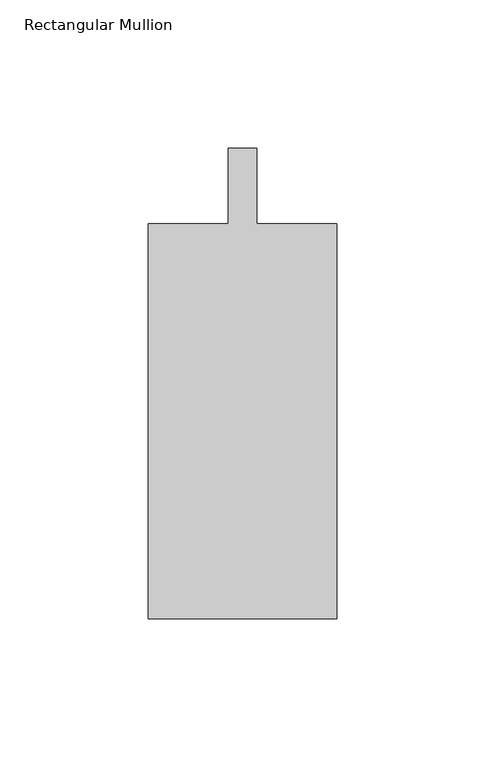
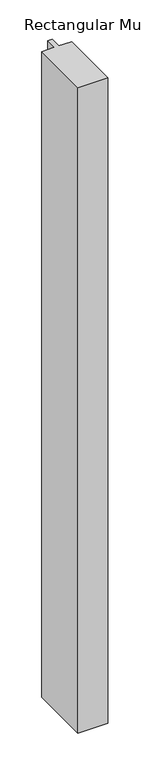
"""IFC4 building model written with IfcOpenShell, lengths in millimetres: member geometry, Rectangular Mullion."""

import ifcopenshell
import ifcopenshell.guid

model = None  # the IFC model being written
_history = None  # IfcOwnerHistory: only IFC2X3 demands one
_inside = {}  # id of a spatial element -> (the spatial element, [elements in it])
_under = {}  # id of a project, library or spatial element -> (it, [spatial elements below it])
_declared = {}  # id of a project -> (the project, [libraries it declares])
_typed = {}  # id of a type object -> (the type object, [elements of that type])
_made_of = {}  # id of a material, layer set ... -> (it, [elements and type objects made of it])


def new_model(schema):
    """Start an empty IFC model of exactly this schema.

    Asked for "IFC4X3", IfcOpenShell would pick the latest addendum, in which some entities
    have other attributes; the version numbers below select the first issue.
    IFC2X3 requires an IfcOwnerHistory on every rooted entity: one is made here for all.
    """
    global model, _history
    if schema == "IFC4X3":
        model = ifcopenshell.file(schema_version=(4, 3, 0, 0))
    else:
        model = ifcopenshell.file(schema=schema)
    _inside.clear()
    _under.clear()
    _declared.clear()
    _typed.clear()
    _made_of.clear()
    _history = None
    if model.schema == "IFC2X3":
        org = make("IfcOrganization", Name="unknown")
        user = make(
            "IfcPersonAndOrganization",
            ThePerson=make("IfcPerson", FamilyName="unknown"),
            TheOrganization=org,
        )
        app = make(
            "IfcApplication",
            ApplicationDeveloper=org,
            Version="unknown",
            ApplicationFullName="unknown",
            ApplicationIdentifier="unknown",
        )
        _history = make(
            "IfcOwnerHistory",
            OwningUser=user,
            OwningApplication=app,
            ChangeAction="ADDED",
            CreationDate=0,
        )
    return model


def make(cls, **values):
    """One entity of the class cls with the attributes given. An attribute that is None is left unset."""
    return model.create_entity(
        cls, **{name: value for name, value in values.items() if value is not None}
    )


def rooted(cls, **values):
    """An entity with a GlobalId (a new one), such as an element, a storey or a relation."""
    return make(cls, GlobalId=ifcopenshell.guid.new(), OwnerHistory=_history, **values)


def si_unit(unit_type, name, prefix=None):
    """IfcSIUnit, for example si_unit("LENGTHUNIT", "METRE", prefix="MILLI")."""
    return make("IfcSIUnit", UnitType=unit_type, Prefix=prefix, Name=name)


def assignment(units):
    """IfcUnitAssignment: the units of a project."""
    return None if units is None else make("IfcUnitAssignment", Units=units)


def point(xyz):
    """IfcCartesianPoint."""
    return None if xyz is None else make("IfcCartesianPoint", Coordinates=xyz)


def direction(xyz):
    """IfcDirection."""
    return None if xyz is None else make("IfcDirection", DirectionRatios=xyz)


def frame(location, z_axis=None, x_axis=None):
    """IfcAxis2Placement3D, a coordinate frame: its origin and axes. An axis left out is left unset."""
    return make(
        "IfcAxis2Placement3D",
        Location=point(location),
        Axis=direction(z_axis),
        RefDirection=direction(x_axis),
    )


def origin():
    """The frame at (0, 0, 0) with its axes left unset."""
    return frame((0.0, 0.0, 0.0))


def place(relative_to, where):
    """IfcLocalPlacement: puts the frame where relative to a parent placement (None: the world)."""
    return make(
        "IfcLocalPlacement", PlacementRelTo=relative_to, RelativePlacement=where
    )


def context(
    kind, dimensions, precision=None, world=None, true_north=None, identifier=None
):
    """IfcGeometricRepresentationContext, for example the 3D "Model" context."""
    return make(
        "IfcGeometricRepresentationContext",
        ContextIdentifier=identifier,
        ContextType=kind,
        CoordinateSpaceDimension=dimensions,
        Precision=precision,
        WorldCoordinateSystem=world,
        TrueNorth=true_north,
    )


def project(units=None, contexts=None):
    """IfcProject with its units and contexts."""
    return rooted(
        "IfcProject",
        Name="project",
        RepresentationContexts=contexts,
        UnitsInContext=assignment(units),
    )


def spatial(cls, under=None, at=None, **own):
    """A site, building, storey or space (cls), placed at a placement, below another one or the project."""
    s = rooted(cls, ObjectPlacement=at, **own)
    if under is not None:
        _under.setdefault(under.id(), (under, []))[1].append(s)
    return s


def polyline(points):
    """IfcPolyline through the points."""
    return make("IfcPolyline", Points=[point(p) for p in points])


def outline(outer, holes=None, kind="AREA"):
    """IfcArbitraryClosedProfileDef: a profile drawn as a closed curve; with holes, ...WithVoids."""
    if holes is None:
        return make("IfcArbitraryClosedProfileDef", ProfileType=kind, OuterCurve=outer)
    return make(
        "IfcArbitraryProfileDefWithVoids",
        ProfileType=kind,
        OuterCurve=outer,
        InnerCurves=holes,
    )


def extrude(swept, where, along, depth):
    """IfcExtrudedAreaSolid: the profile swept, set in the frame where, extruded along a direction by depth."""
    return make(
        "IfcExtrudedAreaSolid",
        SweptArea=swept,
        Position=where,
        ExtrudedDirection=direction(along),
        Depth=depth,
    )


def shape(context_of_items, identifier, shape_type, items):
    """IfcShapeRepresentation: the items that make up one representation, for example the "Body"."""
    return make(
        "IfcShapeRepresentation",
        ContextOfItems=context_of_items,
        RepresentationIdentifier=identifier,
        RepresentationType=shape_type,
        Items=items,
    )


def source(mapping_origin, context_of_items, identifier, shape_type, items):
    """IfcRepresentationMap: a shape defined once, which mapped items show again and again."""
    return make(
        "IfcRepresentationMap",
        MappingOrigin=mapping_origin,
        MappedRepresentation=shape(context_of_items, identifier, shape_type, items),
    )


def transform(
    local_origin,
    x_axis=None,
    y_axis=None,
    z_axis=None,
    scale=None,
    scale2=None,
    scale3=None,
    uniform=True,
):
    """IfcCartesianTransformationOperator3D, or its non-uniform kind. x_axis, y_axis, z_axis: its Axis1, 2, 3."""
    if uniform:
        return make(
            "IfcCartesianTransformationOperator3D",
            Axis1=direction(x_axis),
            Axis2=direction(y_axis),
            LocalOrigin=point(local_origin),
            Scale=scale,
            Axis3=direction(z_axis),
        )
    return make(
        "IfcCartesianTransformationOperator3DnonUniform",
        Axis1=direction(x_axis),
        Axis2=direction(y_axis),
        LocalOrigin=point(local_origin),
        Scale=scale,
        Axis3=direction(z_axis),
        Scale2=scale2,
        Scale3=scale3,
    )


def mapped(mapping_source, mapping_target):
    """IfcMappedItem: shows the shape of a source again, moved by a transform."""
    return make(
        "IfcMappedItem", MappingSource=mapping_source, MappingTarget=mapping_target
    )


def made_of(thing, what):
    """Note that an element or type object is made of a material, layer set ...; save() writes the relation."""
    if what is not None:
        _made_of.setdefault(what.id(), (what, []))[1].append(thing)
    return thing


def element(
    cls,
    number,
    at=None,
    inside=None,
    cuts=None,
    type_object=None,
    material=None,
    context=None,
    identifier="Body",
    shape_type=None,
    held_by="IfcProductDefinitionShape",
    body=None,
    shapes=None,
    **own,
):
    """One element of the class cls, such as IfcWall. Its Tag is "e" and its number.

    at: its placement. inside: the storey or other place that contains it. cuts: it is an
    opening in that element (IfcRelVoidsElement). A single representation is given by context,
    identifier, shape_type and body (its items); several are given by shapes. held_by: the class
    of the entity that holds the representations. save() writes the other relations.
    """
    e = rooted(cls, Tag="e%d" % number, ObjectPlacement=at, **own)
    if body is not None:
        shapes = [shape(context, identifier, shape_type, body)]
    if shapes is not None:
        e.Representation = make(held_by, Representations=shapes)
    if inside is not None:
        _inside.setdefault(inside.id(), (inside, []))[1].append(e)
    if cuts is not None:
        rooted(
            "IfcRelVoidsElement", RelatingBuildingElement=cuts, RelatedOpeningElement=e
        )
    if type_object is not None:
        _typed.setdefault(type_object.id(), (type_object, []))[1].append(e)
    return made_of(e, material)


def aggregate(whole, parts):
    """IfcRelAggregates: a whole, such as a stair, and the parts it consists of."""
    return rooted("IfcRelAggregates", RelatingObject=whole, RelatedObjects=parts)


def save(model, path):
    """Write the relations noted so far, then the file.

    IfcRelAggregates (storeys below a building ...), IfcRelContainedInSpatialStructure (elements
    in a storey), IfcRelDefinesByType, IfcRelAssociatesMaterial and IfcRelDeclares: one each for
    every whole, place, type object, material and project.
    """
    for whole, parts in _under.values():
        aggregate(whole, parts)
    for where, things in _inside.values():
        rooted(
            "IfcRelContainedInSpatialStructure",
            RelatedElements=things,
            RelatingStructure=where,
        )
    for kind, things in _typed.values():
        rooted("IfcRelDefinesByType", RelatedObjects=things, RelatingType=kind)
    for what, things in _made_of.values():
        rooted("IfcRelAssociatesMaterial", RelatedObjects=things, RelatingMaterial=what)
    for by, libraries in _declared.values():
        rooted("IfcRelDeclares", RelatingContext=by, RelatedDefinitions=libraries)
    model.write(path)


def rectangular_mullion_abb6908f(model_context):
    return source(origin(), model_context, "Body", "SweptSolid", [
        extrude(outline(polyline([(-4.7625, -12.7), (-4.7625, 12.7), (4.7625, 12.7), (4.7625, -12.7), (31.75, -12.7), (31.75, -146.05), (-31.75, -146.05), (-31.75, -12.7), (-4.7625, -12.7)])), frame((0.0, 0.0, -1454.15), z_axis=(0.0, 0.0, 1.0), x_axis=(1.0, 0.0, 0.0)), (0.0, 0.0, 1.0), 1454.15),
    ])


if __name__ == "__main__":
    model = new_model("IFC4")
    model_context = context("Model", 3, world=origin())
    ifc_project = project(units=[si_unit("LENGTHUNIT", "METRE", prefix="MILLI")], contexts=[model_context])
    site = spatial("IfcSite", under=ifc_project)
    building = spatial("IfcBuilding", under=site)
    placement = place(None, origin())
    rectangular_mullion_shape = rectangular_mullion_abb6908f(model_context)
    element("IfcMember", 1, ObjectType="Rectangular Mullion", at=placement, inside=building, context=model_context, shape_type="MappedRepresentation", body=[
        mapped(rectangular_mullion_shape, transform((0.0, 0.0, 0.0), x_axis=(1.0, 0.0, 0.0), y_axis=(0.0, 1.0, 0.0), z_axis=(0.0, 0.0, 1.0))),
    ])
    save(model, "model.ifc")
